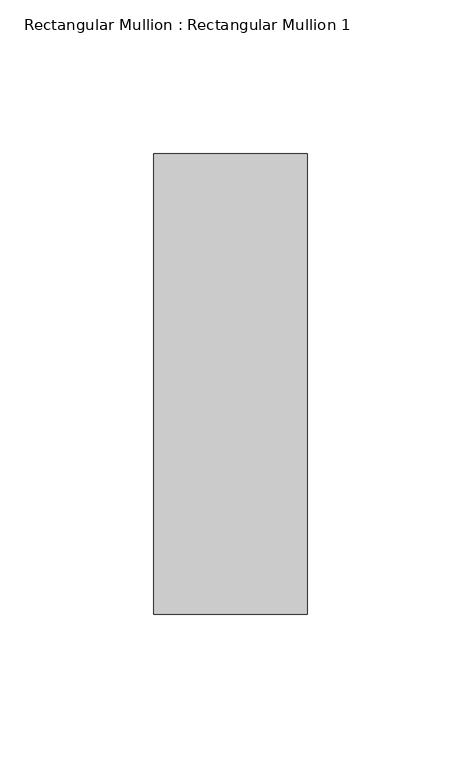
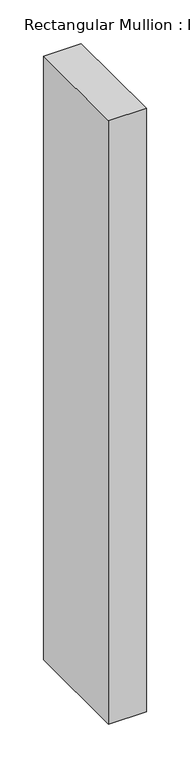
"""IFC4 building model written with IfcOpenShell, lengths in millimetres: member geometry, Rectangular Mullion : Rectangular Mullion 1."""

import ifcopenshell
import ifcopenshell.guid

model = None  # the IFC model being written
_history = None  # IfcOwnerHistory: only IFC2X3 demands one
_inside = {}  # id of a spatial element -> (the spatial element, [elements in it])
_under = {}  # id of a project, library or spatial element -> (it, [spatial elements below it])
_declared = {}  # id of a project -> (the project, [libraries it declares])
_typed = {}  # id of a type object -> (the type object, [elements of that type])
_made_of = {}  # id of a material, layer set ... -> (it, [elements and type objects made of it])


def new_model(schema):
    """Start an empty IFC model of exactly this schema.

    Asked for "IFC4X3", IfcOpenShell would pick the latest addendum, in which some entities
    have other attributes; the version numbers below select the first issue.
    IFC2X3 requires an IfcOwnerHistory on every rooted entity: one is made here for all.
    """
    global model, _history
    if schema == "IFC4X3":
        model = ifcopenshell.file(schema_version=(4, 3, 0, 0))
    else:
        model = ifcopenshell.file(schema=schema)
    _inside.clear()
    _under.clear()
    _declared.clear()
    _typed.clear()
    _made_of.clear()
    _history = None
    if model.schema == "IFC2X3":
        org = make("IfcOrganization", Name="unknown")
        user = make(
            "IfcPersonAndOrganization",
            ThePerson=make("IfcPerson", FamilyName="unknown"),
            TheOrganization=org,
        )
        app = make(
            "IfcApplication",
            ApplicationDeveloper=org,
            Version="unknown",
            ApplicationFullName="unknown",
            ApplicationIdentifier="unknown",
        )
        _history = make(
            "IfcOwnerHistory",
            OwningUser=user,
            OwningApplication=app,
            ChangeAction="ADDED",
            CreationDate=0,
        )
    return model


def make(cls, **values):
    """One entity of the class cls with the attributes given. An attribute that is None is left unset."""
    return model.create_entity(
        cls, **{name: value for name, value in values.items() if value is not None}
    )


def rooted(cls, **values):
    """An entity with a GlobalId (a new one), such as an element, a storey or a relation."""
    return make(cls, GlobalId=ifcopenshell.guid.new(), OwnerHistory=_history, **values)


def si_unit(unit_type, name, prefix=None):
    """IfcSIUnit, for example si_unit("LENGTHUNIT", "METRE", prefix="MILLI")."""
    return make("IfcSIUnit", UnitType=unit_type, Prefix=prefix, Name=name)


def assignment(units):
    """IfcUnitAssignment: the units of a project."""
    return None if units is None else make("IfcUnitAssignment", Units=units)


def point(xyz):
    """IfcCartesianPoint."""
    return None if xyz is None else make("IfcCartesianPoint", Coordinates=xyz)


def direction(xyz):
    """IfcDirection."""
    return None if xyz is None else make("IfcDirection", DirectionRatios=xyz)


def frame(location, z_axis=None, x_axis=None):
    """IfcAxis2Placement3D, a coordinate frame: its origin and axes. An axis left out is left unset."""
    return make(
        "IfcAxis2Placement3D",
        Location=point(location),
        Axis=direction(z_axis),
        RefDirection=direction(x_axis),
    )


def origin():
    """The frame at (0, 0, 0) with its axes left unset."""
    return frame((0.0, 0.0, 0.0))


def place(relative_to, where):
    """IfcLocalPlacement: puts the frame where relative to a parent placement (None: the world)."""
    return make(
        "IfcLocalPlacement", PlacementRelTo=relative_to, RelativePlacement=where
    )


def context(
    kind, dimensions, precision=None, world=None, true_north=None, identifier=None
):
    """IfcGeometricRepresentationContext, for example the 3D "Model" context."""
    return make(
        "IfcGeometricRepresentationContext",
        ContextIdentifier=identifier,
        ContextType=kind,
        CoordinateSpaceDimension=dimensions,
        Precision=precision,
        WorldCoordinateSystem=world,
        TrueNorth=true_north,
    )


def project(units=None, contexts=None):
    """IfcProject with its units and contexts."""
    return rooted(
        "IfcProject",
        Name="project",
        RepresentationContexts=contexts,
        UnitsInContext=assignment(units),
    )


def spatial(cls, under=None, at=None, **own):
    """A site, building, storey or space (cls), placed at a placement, below another one or the project."""
    s = rooted(cls, ObjectPlacement=at, **own)
    if under is not None:
        _under.setdefault(under.id(), (under, []))[1].append(s)
    return s


def polyline(points):
    """IfcPolyline through the points."""
    return make("IfcPolyline", Points=[point(p) for p in points])


def outline(outer, holes=None, kind="AREA"):
    """IfcArbitraryClosedProfileDef: a profile drawn as a closed curve; with holes, ...WithVoids."""
    if holes is None:
        return make("IfcArbitraryClosedProfileDef", ProfileType=kind, OuterCurve=outer)
    return make(
        "IfcArbitraryProfileDefWithVoids",
        ProfileType=kind,
        OuterCurve=outer,
        InnerCurves=holes,
    )


def extrude(swept, where, along, depth):
    """IfcExtrudedAreaSolid: the profile swept, set in the frame where, extruded along a direction by depth."""
    return make(
        "IfcExtrudedAreaSolid",
        SweptArea=swept,
        Position=where,
        ExtrudedDirection=direction(along),
        Depth=depth,
    )


def shape(context_of_items, identifier, shape_type, items):
    """IfcShapeRepresentation: the items that make up one representation, for example the "Body"."""
    return make(
        "IfcShapeRepresentation",
        ContextOfItems=context_of_items,
        RepresentationIdentifier=identifier,
        RepresentationType=shape_type,
        Items=items,
    )


def source(mapping_origin, context_of_items, identifier, shape_type, items):
    """IfcRepresentationMap: a shape defined once, which mapped items show again and again."""
    return make(
        "IfcRepresentationMap",
        MappingOrigin=mapping_origin,
        MappedRepresentation=shape(context_of_items, identifier, shape_type, items),
    )


def transform(
    local_origin,
    x_axis=None,
    y_axis=None,
    z_axis=None,
    scale=None,
    scale2=None,
    scale3=None,
    uniform=True,
):
    """IfcCartesianTransformationOperator3D, or its non-uniform kind. x_axis, y_axis, z_axis: its Axis1, 2, 3."""
    if uniform:
        return make(
            "IfcCartesianTransformationOperator3D",
            Axis1=direction(x_axis),
            Axis2=direction(y_axis),
            LocalOrigin=point(local_origin),
            Scale=scale,
            Axis3=direction(z_axis),
        )
    return make(
        "IfcCartesianTransformationOperator3DnonUniform",
        Axis1=direction(x_axis),
        Axis2=direction(y_axis),
        LocalOrigin=point(local_origin),
        Scale=scale,
        Axis3=direction(z_axis),
        Scale2=scale2,
        Scale3=scale3,
    )


def mapped(mapping_source, mapping_target):
    """IfcMappedItem: shows the shape of a source again, moved by a transform."""
    return make(
        "IfcMappedItem", MappingSource=mapping_source, MappingTarget=mapping_target
    )


def made_of(thing, what):
    """Note that an element or type object is made of a material, layer set ...; save() writes the relation."""
    if what is not None:
        _made_of.setdefault(what.id(), (what, []))[1].append(thing)
    return thing


def element(
    cls,
    number,
    at=None,
    inside=None,
    cuts=None,
    type_object=None,
    material=None,
    context=None,
    identifier="Body",
    shape_type=None,
    held_by="IfcProductDefinitionShape",
    body=None,
    shapes=None,
    **own,
):
    """One element of the class cls, such as IfcWall. Its Tag is "e" and its number.

    at: its placement. inside: the storey or other place that contains it. cuts: it is an
    opening in that element (IfcRelVoidsElement). A single representation is given by context,
    identifier, shape_type and body (its items); several are given by shapes. held_by: the class
    of the entity that holds the representations. save() writes the other relations.
    """
    e = rooted(cls, Tag="e%d" % number, ObjectPlacement=at, **own)
    if body is not None:
        shapes = [shape(context, identifier, shape_type, body)]
    if shapes is not None:
        e.Representation = make(held_by, Representations=shapes)
    if inside is not None:
        _inside.setdefault(inside.id(), (inside, []))[1].append(e)
    if cuts is not None:
        rooted(
            "IfcRelVoidsElement", RelatingBuildingElement=cuts, RelatedOpeningElement=e
        )
    if type_object is not None:
        _typed.setdefault(type_object.id(), (type_object, []))[1].append(e)
    return made_of(e, material)


def aggregate(whole, parts):
    """IfcRelAggregates: a whole, such as a stair, and the parts it consists of."""
    return rooted("IfcRelAggregates", RelatingObject=whole, RelatedObjects=parts)


def save(model, path):
    """Write the relations noted so far, then the file.

    IfcRelAggregates (storeys below a building ...), IfcRelContainedInSpatialStructure (elements
    in a storey), IfcRelDefinesByType, IfcRelAssociatesMaterial and IfcRelDeclares: one each for
    every whole, place, type object, material and project.
    """
    for whole, parts in _under.values():
        aggregate(whole, parts)
    for where, things in _inside.values():
        rooted(
            "IfcRelContainedInSpatialStructure",
            RelatedElements=things,
            RelatingStructure=where,
        )
    for kind, things in _typed.values():
        rooted("IfcRelDefinesByType", RelatedObjects=things, RelatingType=kind)
    for what, things in _made_of.values():
        rooted("IfcRelAssociatesMaterial", RelatedObjects=things, RelatingMaterial=what)
    for by, libraries in _declared.values():
        rooted("IfcRelDeclares", RelatingContext=by, RelatedDefinitions=libraries)
    model.write(path)


def rectangular_mullion_rectangular_mullion_1_f3ae54e5(model_context):
    return source(origin(), model_context, "Body", "SweptSolid", [
        extrude(outline(polyline([(0.0, 75.0), (0.0, -75.0), (-50.0, -75.0), (-50.0, 75.0), (0.0, 75.0)])), frame((0.0, 0.0, -846.0), z_axis=(0.0, 0.0, 1.0), x_axis=(1.0, 0.0, 0.0)), (0.0, 0.0, 1.0), 846.0),
    ])


if __name__ == "__main__":
    model = new_model("IFC4")
    model_context = context("Model", 3, world=origin())
    ifc_project = project(units=[si_unit("LENGTHUNIT", "METRE", prefix="MILLI")], contexts=[model_context])
    site = spatial("IfcSite", under=ifc_project)
    building = spatial("IfcBuilding", under=site)
    placement = place(None, origin())
    rectangular_mullion_rectangular_mullion_1_shape = rectangular_mullion_rectangular_mullion_1_f3ae54e5(model_context)
    element("IfcMember", 1, ObjectType="Rectangular Mullion : Rectangular Mullion 1", at=placement, inside=building, context=model_context, shape_type="MappedRepresentation", body=[
        mapped(rectangular_mullion_rectangular_mullion_1_shape, transform((0.0, 0.0, 0.0), x_axis=(1.0, 0.0, 0.0), y_axis=(0.0, 1.0, 0.0), z_axis=(0.0, 0.0, 1.0))),
    ])
    save(model, "model.ifc")
